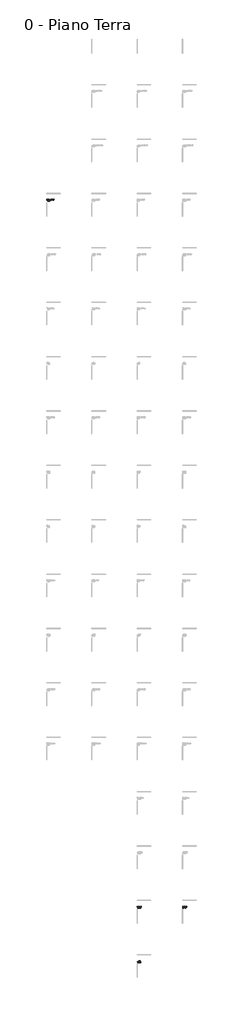
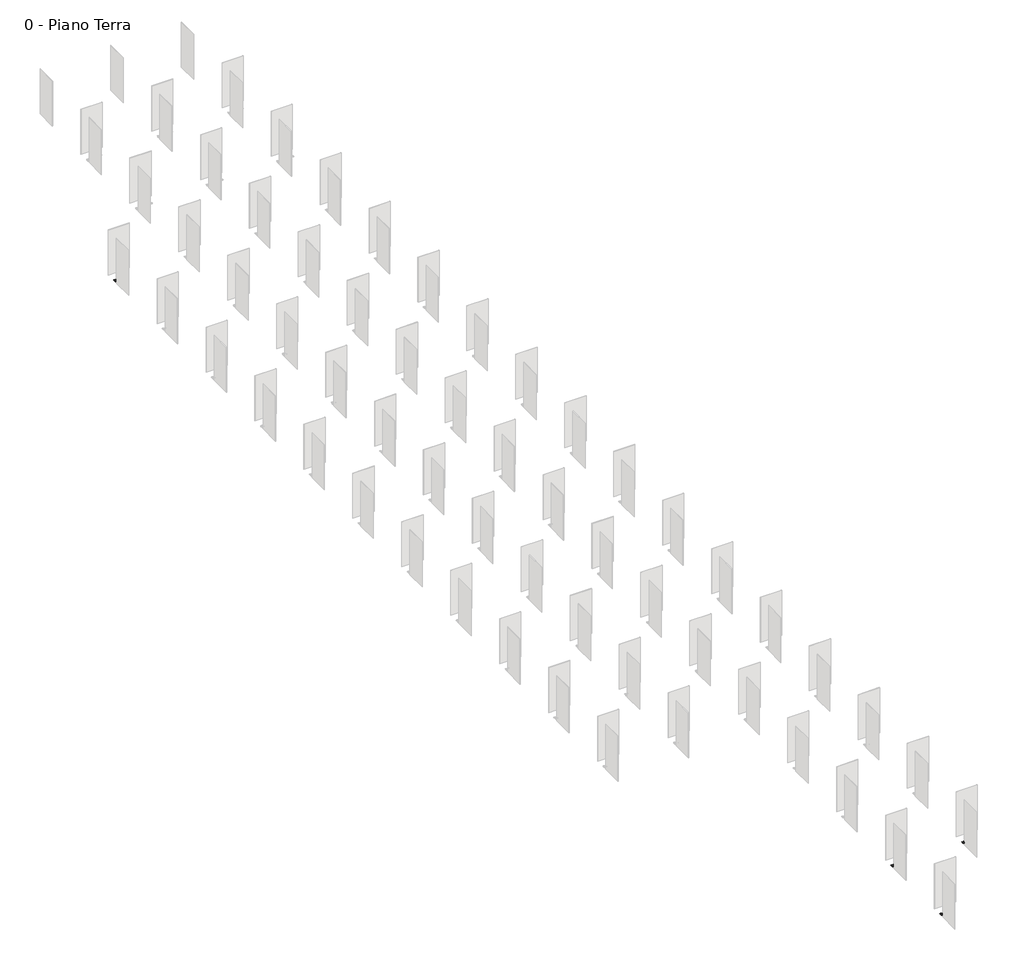
# One storey, part 18 of 35: 4 proxies.
"""IFC4 building model written with IfcOpenShell, lengths in millimetres."""

from ifc_helpers import new_model, si_unit, origin, origin_with_axes, place, context, project, spatial, polyline, outline, extrude, element, save

model = new_model("IFC4")

# Units and contexts
model_context = context("Model", 3, world=origin())
ifc_project = project(units=[si_unit("LENGTHUNIT", "METRE", prefix="MILLI")], contexts=[model_context])

# Site, building, storey
site = spatial("IfcSite", under=ifc_project)
building = spatial("IfcBuilding", under=site)
storey = spatial("IfcBuildingStorey", under=building, Name="0 - Piano Terra", Elevation=0.0)

# Proxies
placement = place(None, origin())
element("IfcBuildingElementProxy", 1, Name="Testo modello 1", ObjectType="Testo modello 1", at=placement, inside=storey, context=model_context, shape_type="SweptSolid", body=[
    extrude(outline(polyline([(-2268.2707509, -273.7592352), (-2268.2707509, -173.302925), (-2254.8307954, -173.302925), (-2202.3462974, -252.8880633), (-2202.3462974, -173.302925), (-2189.7892586, -173.302925), (-2189.7892586, -273.7592352), (-2203.2292142, -273.7592352), (-2255.7137122, -194.1495714), (-2255.7137122, -273.7592352), (-2268.2707509, -273.7592352)])), origin_with_axes(), (0.0, 0.0, 1.0), 10.0),
    extrude(outline(polyline([(-2117.7334385, -251.7844173), (-2105.4216544, -253.3540472), (-2109.8576981, -262.6308048), (-2116.9363608, -269.5653804), (-2126.498227, -273.8879938), (-2138.3838812, -275.328865), (-2153.1175551, -272.8425958), (-2164.4544519, -265.3837884), (-2171.6833331, -253.4368206), (-2174.0929602, -237.4860704), (-2171.6588076, -220.9988257), (-2164.35635, -208.6686475), (-2153.1727374, -200.9799138), (-2139.0951197, -198.4170025), (-2125.4558947, -200.9737824), (-2114.5573906, -208.644122), (-2107.4112829, -220.9497747), (-2105.0292469, -237.412494), (-2105.1028233, -240.7970084), (-2161.5359214, -240.7970084), (-2159.3623519, -250.1963934), (-2154.3131716, -257.1064435), (-2147.0260424, -261.3554805), (-2138.1386265, -262.7718262), (-2125.8268424, -260.1476013), (-2117.7334385, -251.7844173)]), holes=[polyline([(-2161.5359214, -228.2399696), (-2117.5862857, -228.2399696), (-2122.6140063, -216.8601532), (-2129.934858, -212.4455693), (-2139.1441706, -210.9740413), (-2154.6074771, -215.6706681), (-2159.4727165, -221.1613069), (-2161.5359214, -228.2399696)])]), origin_with_axes(), (0.0, 0.0, 1.0), 10.0),
    extrude(outline(polyline([(-2092.4722082, -273.7592352), (-2092.4722082, -199.9866324), (-2081.4847992, -199.9866324), (-2081.4847992, -210.9004649), (-2073.6857009, -200.8450237), (-2065.8375517, -198.4170025), (-2053.231462, -202.2920262), (-2057.4253168, -213.5492153), (-2066.2544846, -210.9740413), (-2073.3546071, -213.4511134), (-2077.8795557, -220.318244), (-2079.9151694, -234.9844729), (-2079.9151694, -273.7592352), (-2092.4722082, -273.7592352)])), origin_with_axes(), (0.0, 0.0, 1.0), 10.0),
    extrude(outline(polyline([(-2048.5225725, -236.8729338), (-2045.8063771, -219.0858393), (-2037.6577909, -206.5839828), (-2027.5900869, -200.4587476), (-2015.5358202, -198.4170025), (-2002.344185, -200.9032717), (-1991.8074315, -208.3620791), (-1984.9004471, -220.2048137), (-1982.5981189, -235.8428642), (-1986.6693463, -258.185564), (-1998.5274093, -270.8284419), (-2015.5358202, -275.328865), (-2028.886871, -272.8517929), (-2039.4113617, -265.4205766), (-2046.2447698, -253.3295217), (-2048.5225725, -236.8729338)]), holes=[polyline([(-2035.9655337, -236.8484083), (-2034.5123998, -248.2128963), (-2030.1529982, -256.3093658), (-2023.5924359, -261.1562111), (-2015.5358202, -262.7718262), (-2007.5159927, -261.1470141), (-2000.9676932, -256.2725776), (-1996.6082916, -248.0688092), (-1995.1551577, -236.4560008), (-1996.6174886, -225.4226067), (-2001.0044814, -217.4365017), (-2007.561978, -212.5896564), (-2015.5358202, -210.9740413), (-2023.5924359, -212.583525), (-2030.1529982, -217.4119762), (-2034.5123998, -225.4900517), (-2035.9655337, -236.8484083)])]), origin_with_axes(), (0.0, 0.0, 1.0), 10.0),
    extrude(outline(polyline([(-1939.3597218, -273.7592352), (-1899.2605843, -173.302925), (-1888.567481, -173.302925), (-1848.4683435, -273.7592352), (-1861.7366208, -273.7592352), (-1873.2390645, -242.3666382), (-1914.6135262, -242.3666382), (-1926.0914445, -273.7592352), (-1939.3597218, -273.7592352)]), holes=[polyline([(-1910.0027386, -229.8095995), (-1877.8253267, -229.8095995), (-1886.8752238, -205.1124549), (-1893.9140326, -185.8599638), (-1900.1680266, -202.9542138), (-1910.0027386, -229.8095995)])]), origin_with_axes(), (0.0, 0.0, 1.0), 10.0),
    extrude(outline(polyline([(-1841.3314328, -251.7844173), (-1828.774394, -250.2147875), (-1822.9618585, -259.5344647), (-1809.6445303, -262.7718262), (-1796.8422368, -259.8042448), (-1792.6729076, -252.8390124), (-1796.8667623, -247.1981551), (-1809.7916831, -243.617437), (-1828.7008176, -237.4738077), (-1836.953637, -230.3001088), (-1839.7618029, -220.1710912), (-1837.50546, -210.8146258), (-1831.349568, -203.6654523), (-1823.3665287, -199.9498442), (-1812.5630608, -198.4170025), (-1797.2836952, -200.8818119), (-1787.5716106, -207.5527388), (-1783.2551285, -218.8221905), (-1795.8121673, -220.3918204), (-1800.5333195, -213.4633761), (-1811.5820421, -210.9740413), (-1823.5995206, -213.3530115), (-1827.2047642, -218.8957669), (-1825.7087107, -222.5500614), (-1821.0243467, -225.3214391), (-1810.208616, -227.994715), (-1791.777728, -233.9053523), (-1783.2183403, -240.6008047), (-1780.1158688, -251.5146372), (-1783.7579005, -263.5321157), (-1794.2670629, -272.250919), (-1809.8162085, -275.328865), (-1822.4774805, -273.8450743), (-1831.71745, -269.3937021), (-1837.8856048, -262.0237995), (-1841.3314328, -251.7844173)])), origin_with_axes(), (0.0, 0.0, 1.0), 10.0),
    extrude(outline(polyline([(-1770.6980897, -251.7844173), (-1758.1410509, -250.2147875), (-1752.3285154, -259.5344647), (-1739.0111872, -262.7718262), (-1726.2088938, -259.8042448), (-1722.0395645, -252.8390124), (-1726.2334192, -247.1981551), (-1739.15834, -243.617437), (-1758.0674745, -237.4738077), (-1766.320294, -230.3001088), (-1769.1284599, -220.1710912), (-1766.872117, -210.8146258), (-1760.7162249, -203.6654523), (-1752.7331856, -199.9498442), (-1741.9297177, -198.4170025), (-1726.6503522, -200.8818119), (-1716.9382675, -207.5527388), (-1712.6217854, -218.8221905), (-1725.1788242, -220.3918204), (-1729.8999764, -213.4633761), (-1740.948699, -210.9740413), (-1752.9661775, -213.3530115), (-1756.5714211, -218.8957669), (-1755.0753677, -222.5500614), (-1750.3910036, -225.3214391), (-1739.5752729, -227.994715), (-1721.144385, -233.9053523), (-1712.5849972, -240.6008047), (-1709.4825257, -251.5146372), (-1713.1245575, -263.5321157), (-1723.6337198, -272.250919), (-1739.1828655, -275.328865), (-1751.8441375, -273.8450743), (-1761.0841069, -269.3937021), (-1767.2522617, -262.0237995), (-1770.6980897, -251.7844173)])), origin_with_axes(), (0.0, 0.0, 1.0), 10.0),
    extrude(outline(polyline([(-1698.4951168, -236.8729338), (-1695.7789214, -219.0858393), (-1687.6303352, -206.5839828), (-1677.5626313, -200.4587476), (-1665.5083646, -198.4170025), (-1652.3167293, -200.9032717), (-1641.7799759, -208.3620791), (-1634.8729914, -220.2048137), (-1632.5706633, -235.8428642), (-1636.6418907, -258.185564), (-1648.4999537, -270.8284419), (-1665.5083646, -275.328865), (-1678.8594153, -272.8517929), (-1689.383906, -265.4205766), (-1696.2173141, -253.3295217), (-1698.4951168, -236.8729338)]), holes=[polyline([(-1685.938078, -236.8484083), (-1684.4849441, -248.2128963), (-1680.1255425, -256.3093658), (-1673.5649803, -261.1562111), (-1665.5083646, -262.7718262), (-1657.4885371, -261.1470141), (-1650.9402376, -256.2725776), (-1646.5808359, -248.0688092), (-1645.127702, -236.4560008), (-1646.590033, -225.4226067), (-1650.9770258, -217.4365017), (-1657.5345223, -212.5896564), (-1665.5083646, -210.9740413), (-1673.5649803, -212.583525), (-1680.1255425, -217.4119762), (-1684.4849441, -225.4900517), (-1685.938078, -236.8484083)])]), origin_with_axes(), (0.0, 0.0, 1.0), 10.0),
    extrude(outline(polyline([(-1618.4439946, -273.7592352), (-1618.4439946, -173.302925), (-1605.8869559, -173.302925), (-1605.8869559, -273.7592352), (-1618.4439946, -273.7592352)])), origin_with_axes(), (0.0, 0.0, 1.0), 10.0),
    extrude(outline(polyline([(-1539.9625023, -273.7592352), (-1539.9625023, -261.0795691), (-1549.7972143, -271.766541), (-1562.6240332, -275.328865), (-1574.4330453, -272.8272674), (-1582.5755001, -266.548748), (-1586.3156337, -257.3026472), (-1587.0513977, -245.6285253), (-1587.0513977, -199.9866324), (-1574.494359, -199.9866324), (-1574.494359, -239.7178879), (-1573.7340695, -252.5201813), (-1568.7676626, -260.0372367), (-1559.4111972, -262.7718262), (-1548.9265603, -259.9759231), (-1541.998116, -252.3607658), (-1539.9625023, -238.3689872), (-1539.9625023, -199.9866324), (-1527.4054636, -199.9866324), (-1527.4054636, -273.7592352), (-1539.9625023, -273.7592352)])), origin_with_axes(), (0.0, 0.0, 1.0), 10.0),
    extrude(outline(polyline([(-1483.4558279, -263.286861), (-1481.886198, -274.1271171), (-1491.2794516, -275.328865), (-1501.8008767, -273.2442004), (-1507.0493265, -267.7750214), (-1508.5699054, -253.5257254), (-1508.5699054, -212.5436712), (-1517.9876845, -212.5436712), (-1517.9876845, -199.9866324), (-1508.5699054, -199.9866324), (-1508.5699054, -182.0585165), (-1496.0128666, -174.6763511), (-1496.0128666, -199.9866324), (-1483.4558279, -199.9866324), (-1483.4558279, -212.5436712), (-1496.0128666, -212.5436712), (-1496.0128666, -253.1578434), (-1495.3506791, -259.6325665), (-1493.2047008, -261.9256976), (-1488.9250069, -262.7718262), (-1483.4558279, -263.286861)])), origin_with_axes(), (0.0, 0.0, 1.0), 10.0),
    extrude(outline(polyline([(-1474.0380488, -236.8729338), (-1471.3218534, -219.0858393), (-1463.1732672, -206.5839828), (-1453.1055633, -200.4587476), (-1441.0512966, -198.4170025), (-1427.8596614, -200.9032717), (-1417.3229079, -208.3620791), (-1410.4159234, -220.2048137), (-1408.1135953, -235.8428642), (-1412.1848227, -258.185564), (-1424.0428857, -270.8284419), (-1441.0512966, -275.328865), (-1454.4023473, -272.8517929), (-1464.9268381, -265.4205766), (-1471.7602461, -253.3295217), (-1474.0380488, -236.8729338)]), holes=[polyline([(-1461.48101, -236.8484083), (-1460.0278762, -248.2128963), (-1455.6684745, -256.3093658), (-1449.1079123, -261.1562111), (-1441.0512966, -262.7718262), (-1433.0314691, -261.1470141), (-1426.4831696, -256.2725776), (-1422.1237679, -248.0688092), (-1420.670634, -236.4560008), (-1422.132965, -225.4226067), (-1426.5199578, -217.4365017), (-1433.0774543, -212.5896564), (-1441.0512966, -210.9740413), (-1449.1079123, -212.583525), (-1455.6684745, -217.4119762), (-1460.0278762, -225.4900517), (-1461.48101, -236.8484083)])]), origin_with_axes(), (0.0, 0.0, 1.0), 10.0),
    extrude(outline(polyline([(-2268.2707509, -395.734053), (-2268.2707509, -295.2777428), (-2233.616267, -295.2777428), (-2215.6881511, -296.7247454), (-2200.9238203, -303.910707), (-2189.0289692, -321.0785334), (-2185.0803691, -344.9663377), (-2187.7536449, -365.2366356), (-2194.6207755, -379.8660763), (-2203.7932999, -388.977287), (-2215.7985157, -394.0172704), (-2231.9485353, -395.734053), (-2268.2707509, -395.734053)]), holes=[polyline([(-2255.7137122, -383.1770142), (-2233.4936396, -383.1770142), (-2217.3313573, -381.3621297), (-2208.0116801, -376.2363073), (-2200.3719973, -363.7651076), (-2197.6374079, -344.7701339), (-2198.9771114, -331.0849237), (-2202.9962222, -320.9804316), (-2216.0315076, -309.8458699), (-2233.8369962, -307.8347816), (-2255.7137122, -307.8347816), (-2255.7137122, -383.1770142)])]), origin_with_axes(), (0.0, 0.0, 1.0), 10.0),
    extrude(outline(polyline([(-2122.2951752, -395.734053), (-2122.2951752, -383.0543869), (-2132.1298872, -393.7413589), (-2144.9567061, -397.3036828), (-2156.7657182, -394.8020853), (-2164.908173, -388.5235659), (-2168.6483066, -379.2774651), (-2169.3840706, -367.6033431), (-2169.3840706, -321.9614502), (-2156.8270319, -321.9614502), (-2156.8270319, -361.6927057), (-2156.0667424, -374.4949991), (-2151.1003355, -382.0120546), (-2141.74387, -384.7466441), (-2131.2592332, -381.9507409), (-2124.3307889, -374.3355836), (-2122.2951752, -360.3438051), (-2122.2951752, -321.9614502), (-2109.7381365, -321.9614502), (-2109.7381365, -395.734053), (-2122.2951752, -395.734053)])), origin_with_axes(), (0.0, 0.0, 1.0), 10.0),
    extrude(outline(polyline([(-2092.4722082, -395.734053), (-2092.4722082, -321.9614502), (-2079.9151694, -321.9614502), (-2079.9151694, -332.2621461), (-2070.3134493, -323.3594018), (-2057.2045876, -320.3918204), (-2045.3465246, -322.7830534), (-2037.2531207, -329.0615727), (-2033.4884616, -338.2954108), (-2032.826274, -350.4355167), (-2032.826274, -395.734053), (-2045.3833128, -395.734053), (-2045.3833128, -352.1277738), (-2046.8303153, -341.0177376), (-2051.943875, -335.1438884), (-2060.5645764, -332.9488592), (-2074.188473, -337.8784779), (-2078.4834953, -345.02152), (-2079.9151694, -356.5914087), (-2079.9151694, -395.734053), (-2092.4722082, -395.734053)])), origin_with_axes(), (0.0, 0.0, 1.0), 10.0),
    extrude(outline(polyline([(-1963.9097136, -373.7592352), (-1951.5979295, -375.328865), (-1956.0339732, -384.6056226), (-1963.1126359, -391.5401983), (-1972.6745021, -395.8628117), (-1984.5601562, -397.3036828), (-1999.2938302, -394.8174137), (-2010.630727, -387.3586062), (-2017.8596082, -375.4116384), (-2020.2692352, -359.4608883), (-2017.8350827, -342.9736435), (-2010.5326251, -330.6434653), (-1999.3490125, -322.9547316), (-1985.2713948, -320.3918204), (-1971.6321698, -322.9486003), (-1960.7336657, -330.6189399), (-1953.5875579, -342.9245926), (-1951.205522, -359.3873119), (-1951.2790984, -362.7718262), (-2007.7121965, -362.7718262), (-2005.538627, -372.1712112), (-2000.4894466, -379.0812613), (-1993.2023174, -383.3302984), (-1984.3149016, -384.7466441), (-1972.0031175, -382.1224192), (-1963.9097136, -373.7592352)]), holes=[polyline([(-2007.7121965, -350.2147875), (-1963.7625608, -350.2147875), (-1968.7902814, -338.8349711), (-1976.1111331, -334.4203871), (-1985.3204457, -332.9488592), (-2000.7837522, -337.645486), (-2005.6489916, -343.1361247), (-2007.7121965, -350.2147875)])]), origin_with_axes(), (0.0, 0.0, 1.0), 10.0),
])
element("IfcBuildingElementProxy", 2, Name="Testo modello 1", ObjectType="Testo modello 1", at=placement, inside=storey, context=model_context, shape_type="SweptSolid", body=[
    extrude(outline(polyline([(7731.7292491, -78273.7592352), (7731.7292491, -78173.302925), (7744.2862878, -78173.302925), (7744.2862878, -78261.2021964), (7794.5144429, -78261.2021964), (7794.5144429, -78273.7592352), (7731.7292491, -78273.7592352)])), origin_with_axes(), (0.0, 0.0, 1.0), 10.0),
    extrude(outline(polyline([(7803.932222, -78236.8729338), (7806.6484174, -78219.0858393), (7814.7970036, -78206.5839828), (7824.8647075, -78200.4587476), (7836.9189742, -78198.4170025), (7850.1106094, -78200.9032717), (7860.6473629, -78208.3620791), (7867.5543474, -78220.2048137), (7869.8566755, -78235.8428642), (7865.7854481, -78258.185564), (7853.9273851, -78270.8284419), (7836.9189742, -78275.328865), (7823.5679235, -78272.8517929), (7813.0434327, -78265.4205766), (7806.2100247, -78253.3295217), (7803.932222, -78236.8729338)]), holes=[polyline([(7816.4892608, -78236.8484083), (7817.9423946, -78248.2128963), (7822.3017963, -78256.3093658), (7828.8623585, -78261.1562111), (7836.9189742, -78262.7718262), (7844.9388017, -78261.1470141), (7851.4871012, -78256.2725776), (7855.8465029, -78248.0688092), (7857.2996368, -78236.4560008), (7855.8373058, -78225.4226067), (7851.450313, -78217.4365017), (7844.8928165, -78212.5896564), (7836.9189742, -78210.9740413), (7828.8623585, -78212.583525), (7822.3017963, -78217.4119762), (7817.9423946, -78225.4900517), (7816.4892608, -78236.8484083)])]), origin_with_axes(), (0.0, 0.0, 1.0), 10.0),
    extrude(outline(polyline([(7883.9833441, -78273.7592352), (7883.9833441, -78199.9866324), (7896.5403829, -78199.9866324), (7896.5403829, -78210.2873283), (7906.142103, -78201.384584), (7919.2509648, -78198.4170025), (7931.1090277, -78200.8082355), (7939.2024316, -78207.0867549), (7942.9670907, -78216.320593), (7943.6292783, -78228.4606988), (7943.6292783, -78273.7592352), (7931.0722395, -78273.7592352), (7931.0722395, -78230.152956), (7929.625237, -78219.0429197), (7924.5116773, -78213.1690705), (7915.8909759, -78210.9740413), (7902.2670793, -78215.90366), (7897.972057, -78223.0467021), (7896.5403829, -78234.6165909), (7896.5403829, -78273.7592352), (7883.9833441, -78273.7592352)])), origin_with_axes(), (0.0, 0.0, 1.0), 10.0),
    extrude(outline(polyline([(8006.4144721, -78273.7592352), (8006.4144721, -78261.9134349), (7998.1064704, -78271.9750075), (7986.6224208, -78275.328865), (7971.0732751, -78270.4728227), (7960.0858662, -78256.9225025), (7956.1863171, -78236.9465102), (7959.7792979, -78216.9582551), (7970.5459776, -78203.1994685), (7986.5733699, -78198.4170025), (7998.14939, -78201.8383051), (8006.4144721, -78210.7287866), (8006.4144721, -78173.302925), (8018.9715109, -78173.302925), (8018.9715109, -78273.7592352), (8006.4144721, -78273.7592352)]), holes=[polyline([(7968.7433558, -78236.8974592), (7970.1597015, -78248.2558158), (7974.4087386, -78256.3338913), (7980.5830247, -78261.1623425), (7987.7751177, -78262.7718262), (7994.964145, -78261.2359189), (8000.9820813, -78256.6281969), (8005.0563744, -78248.8628211), (8006.4144721, -78237.8539524), (8005.031849, -78225.8180798), (8000.8839795, -78217.4732899), (7994.712759, -78212.5988535), (7987.2600829, -78210.9740413), (7979.9944135, -78212.5344741), (7974.0408566, -78217.2157725), (7970.067731, -78225.2570598), (7968.7433558, -78236.8974592)])]), origin_with_axes(), (0.0, 0.0, 1.0), 10.0),
    extrude(outline(polyline([(8034.6678094, -78236.8729338), (8037.3840048, -78219.0858393), (8045.532591, -78206.5839828), (8055.6002949, -78200.4587476), (8067.6545616, -78198.4170025), (8080.8461968, -78200.9032717), (8091.3829503, -78208.3620791), (8098.2899348, -78220.2048137), (8100.5922629, -78235.8428642), (8096.5210355, -78258.185564), (8084.6629725, -78270.8284419), (8067.6545616, -78275.328865), (8054.3035109, -78272.8517929), (8043.7790201, -78265.4205766), (8036.9456121, -78253.3295217), (8034.6678094, -78236.8729338)]), holes=[polyline([(8047.2248481, -78236.8484083), (8048.677982, -78248.2128963), (8053.0373837, -78256.3093658), (8059.5979459, -78261.1562111), (8067.6545616, -78262.7718262), (8075.6743891, -78261.1470141), (8082.2226886, -78256.2725776), (8086.5820903, -78248.0688092), (8088.0352241, -78236.4560008), (8086.5728932, -78225.4226067), (8082.1859004, -78217.4365017), (8075.6284039, -78212.5896564), (8067.6545616, -78210.9740413), (8059.5979459, -78212.583525), (8053.0373837, -78217.4119762), (8048.677982, -78225.4900517), (8047.2248481, -78236.8484083)])]), origin_with_axes(), (0.0, 0.0, 1.0), 10.0),
    extrude(outline(polyline([(8114.7189315, -78273.7592352), (8114.7189315, -78199.9866324), (8127.2759703, -78199.9866324), (8127.2759703, -78210.2873283), (8136.8776904, -78201.384584), (8149.9865521, -78198.4170025), (8161.8446151, -78200.8082355), (8169.938019, -78207.0867549), (8173.7026781, -78216.320593), (8174.3648657, -78228.4606988), (8174.3648657, -78273.7592352), (8161.8078269, -78273.7592352), (8161.8078269, -78230.152956), (8160.3608244, -78219.0429197), (8155.2472647, -78213.1690705), (8146.6265632, -78210.9740413), (8133.0026667, -78215.90366), (8128.7076444, -78223.0467021), (8127.2759703, -78234.6165909), (8127.2759703, -78273.7592352), (8114.7189315, -78273.7592352)])), origin_with_axes(), (0.0, 0.0, 1.0), 10.0),
    extrude(outline(polyline([(7761.4050634, -78395.734053), (7721.4285532, -78295.2777428), (7734.8685088, -78295.2777428), (7761.6257926, -78367.652394), (7767.0459206, -78383.9618292), (7772.3924723, -78367.652394), (7799.2233325, -78295.2777428), (7812.663288, -78295.2777428), (7774.379035, -78395.734053), (7761.4050634, -78395.734053)])), origin_with_axes(), (0.0, 0.0, 1.0), 10.0),
    extrude(outline(polyline([(7874.4184123, -78373.7592352), (7886.7301964, -78375.328865), (7882.2941527, -78384.6056226), (7875.2154899, -78391.5401983), (7865.6536237, -78395.8628117), (7853.7679696, -78397.3036828), (7839.0342957, -78394.8174137), (7827.6973989, -78387.3586062), (7820.4685177, -78375.4116384), (7818.0588906, -78359.4608883), (7820.4930431, -78342.9736435), (7827.7955007, -78330.6434653), (7838.9791134, -78322.9547316), (7853.0567311, -78320.3918204), (7866.6959561, -78322.9486003), (7877.5944602, -78330.6189399), (7884.7405679, -78342.9245926), (7887.1226038, -78359.3873119), (7887.0490274, -78362.7718262), (7830.6159294, -78362.7718262), (7832.7894988, -78372.1712112), (7837.8386792, -78379.0812613), (7845.1258084, -78383.3302984), (7854.0132243, -78384.7466441), (7866.3250084, -78382.1224192), (7874.4184123, -78373.7592352)]), holes=[polyline([(7830.6159294, -78350.2147875), (7874.5655651, -78350.2147875), (7869.5378445, -78338.8349711), (7862.2169928, -78334.4203871), (7853.0076802, -78332.9488592), (7837.5443736, -78337.645486), (7832.6791342, -78343.1361247), (7830.6159294, -78350.2147875)])]), origin_with_axes(), (0.0, 0.0, 1.0), 10.0),
    extrude(outline(polyline([(7899.6796426, -78395.734053), (7899.6796426, -78295.2777428), (7912.2366814, -78295.2777428), (7912.2366814, -78395.734053), (7899.6796426, -78395.734053)])), origin_with_axes(), (0.0, 0.0, 1.0), 10.0),
    extrude(outline(polyline([(7949.1720337, -78395.734053), (7923.2240903, -78321.9614502), (7936.5168931, -78321.9614502), (7952.237717, -78366.1563406), (7956.971132, -78381.0187732), (7961.6064451, -78366.9902064), (7977.4253709, -78321.9614502), (7990.7181737, -78321.9614502), (7965.0890613, -78395.734053), (7949.1720337, -78395.734053)])), origin_with_axes(), (0.0, 0.0, 1.0), 10.0),
    extrude(outline(polyline([(8053.3562147, -78373.7592352), (8065.6679988, -78375.328865), (8061.2319551, -78384.6056226), (8054.1532924, -78391.5401983), (8044.5914262, -78395.8628117), (8032.7057721, -78397.3036828), (8017.9720982, -78394.8174137), (8006.6352013, -78387.3586062), (7999.4063201, -78375.4116384), (7996.9966931, -78359.4608883), (7999.4308456, -78342.9736435), (8006.7333032, -78330.6434653), (8017.9169159, -78322.9547316), (8031.9945335, -78320.3918204), (8045.6337585, -78322.9486003), (8056.5322626, -78330.6189399), (8063.6783704, -78342.9245926), (8066.0604063, -78359.3873119), (8065.9868299, -78362.7718262), (8009.5537318, -78362.7718262), (8011.7273013, -78372.1712112), (8016.7764817, -78379.0812613), (8024.0636109, -78383.3302984), (8032.9510267, -78384.7466441), (8045.2628108, -78382.1224192), (8053.3562147, -78373.7592352)]), holes=[polyline([(8009.5537318, -78350.2147875), (8053.5033675, -78350.2147875), (8048.4756469, -78338.8349711), (8041.1547952, -78334.4203871), (8031.9454826, -78332.9488592), (8016.4821761, -78337.645486), (8011.6169367, -78343.1361247), (8009.5537318, -78350.2147875)])]), origin_with_axes(), (0.0, 0.0, 1.0), 10.0),
    extrude(outline(polyline([(8105.3011524, -78385.2616789), (8106.8707823, -78396.101935), (8097.4775287, -78397.3036828), (8086.9561036, -78395.2190182), (8081.7076538, -78389.7498392), (8080.1870749, -78375.5005433), (8080.1870749, -78334.518489), (8070.7692958, -78334.518489), (8070.7692958, -78321.9614502), (8080.1870749, -78321.9614502), (8080.1870749, -78304.0333343), (8092.7441137, -78296.651169), (8092.7441137, -78321.9614502), (8105.3011524, -78321.9614502), (8105.3011524, -78334.518489), (8092.7441137, -78334.518489), (8092.7441137, -78375.1326613), (8093.4063013, -78381.6073844), (8095.5522796, -78383.9005155), (8099.8319734, -78384.7466441), (8105.3011524, -78385.2616789)])), origin_with_axes(), (0.0, 0.0, 1.0), 10.0),
])
element("IfcBuildingElementProxy", 3, Name="Testo modello 1", ObjectType="Testo modello 1", at=placement, inside=storey, context=model_context, shape_type="SweptSolid", body=[
    extrude(outline(polyline([(12731.7292491, -78273.7592352), (12731.7292491, -78173.302925), (12744.2862878, -78173.302925), (12744.2862878, -78261.2021964), (12794.5144429, -78261.2021964), (12794.5144429, -78273.7592352), (12731.7292491, -78273.7592352)])), origin_with_axes(), (0.0, 0.0, 1.0), 10.0),
    extrude(outline(polyline([(12803.932222, -78236.8729338), (12806.6484174, -78219.0858393), (12814.7970036, -78206.5839828), (12824.8647075, -78200.4587476), (12836.9189742, -78198.4170025), (12850.1106094, -78200.9032717), (12860.6473629, -78208.3620791), (12867.5543474, -78220.2048137), (12869.8566755, -78235.8428642), (12865.7854481, -78258.185564), (12853.9273851, -78270.8284419), (12836.9189742, -78275.328865), (12823.5679235, -78272.8517929), (12813.0434327, -78265.4205766), (12806.2100247, -78253.3295217), (12803.932222, -78236.8729338)]), holes=[polyline([(12816.4892608, -78236.8484083), (12817.9423946, -78248.2128963), (12822.3017963, -78256.3093658), (12828.8623585, -78261.1562111), (12836.9189742, -78262.7718262), (12844.9388017, -78261.1470141), (12851.4871012, -78256.2725776), (12855.8465029, -78248.0688092), (12857.2996368, -78236.4560008), (12855.8373058, -78225.4226067), (12851.450313, -78217.4365017), (12844.8928165, -78212.5896564), (12836.9189742, -78210.9740413), (12828.8623585, -78212.583525), (12822.3017963, -78217.4119762), (12817.9423946, -78225.4900517), (12816.4892608, -78236.8484083)])]), origin_with_axes(), (0.0, 0.0, 1.0), 10.0),
    extrude(outline(polyline([(12883.9833441, -78273.7592352), (12883.9833441, -78199.9866324), (12896.5403829, -78199.9866324), (12896.5403829, -78210.2873283), (12906.142103, -78201.384584), (12919.2509648, -78198.4170025), (12931.1090277, -78200.8082355), (12939.2024316, -78207.0867549), (12942.9670907, -78216.320593), (12943.6292783, -78228.4606988), (12943.6292783, -78273.7592352), (12931.0722395, -78273.7592352), (12931.0722395, -78230.152956), (12929.625237, -78219.0429197), (12924.5116773, -78213.1690705), (12915.8909759, -78210.9740413), (12902.2670793, -78215.90366), (12897.972057, -78223.0467021), (12896.5403829, -78234.6165909), (12896.5403829, -78273.7592352), (12883.9833441, -78273.7592352)])), origin_with_axes(), (0.0, 0.0, 1.0), 10.0),
    extrude(outline(polyline([(13006.4144721, -78273.7592352), (13006.4144721, -78261.9134349), (12998.1064704, -78271.9750075), (12986.6224208, -78275.328865), (12971.0732751, -78270.4728227), (12960.0858662, -78256.9225025), (12956.1863171, -78236.9465102), (12959.7792979, -78216.9582551), (12970.5459776, -78203.1994685), (12986.5733699, -78198.4170025), (12998.14939, -78201.8383051), (13006.4144721, -78210.7287866), (13006.4144721, -78173.302925), (13018.9715109, -78173.302925), (13018.9715109, -78273.7592352), (13006.4144721, -78273.7592352)]), holes=[polyline([(12968.7433558, -78236.8974592), (12970.1597015, -78248.2558158), (12974.4087386, -78256.3338913), (12980.5830247, -78261.1623425), (12987.7751177, -78262.7718262), (12994.964145, -78261.2359189), (13000.9820813, -78256.6281969), (13005.0563744, -78248.8628211), (13006.4144721, -78237.8539524), (13005.031849, -78225.8180798), (13000.8839795, -78217.4732899), (12994.712759, -78212.5988535), (12987.2600829, -78210.9740413), (12979.9944135, -78212.5344741), (12974.0408566, -78217.2157725), (12970.067731, -78225.2570598), (12968.7433558, -78236.8974592)])]), origin_with_axes(), (0.0, 0.0, 1.0), 10.0),
    extrude(outline(polyline([(13034.6678094, -78236.8729338), (13037.3840048, -78219.0858393), (13045.532591, -78206.5839828), (13055.6002949, -78200.4587476), (13067.6545616, -78198.4170025), (13080.8461968, -78200.9032717), (13091.3829503, -78208.3620791), (13098.2899348, -78220.2048137), (13100.5922629, -78235.8428642), (13096.5210355, -78258.185564), (13084.6629725, -78270.8284419), (13067.6545616, -78275.328865), (13054.3035109, -78272.8517929), (13043.7790201, -78265.4205766), (13036.9456121, -78253.3295217), (13034.6678094, -78236.8729338)]), holes=[polyline([(13047.2248481, -78236.8484083), (13048.677982, -78248.2128963), (13053.0373837, -78256.3093658), (13059.5979459, -78261.1562111), (13067.6545616, -78262.7718262), (13075.6743891, -78261.1470141), (13082.2226886, -78256.2725776), (13086.5820903, -78248.0688092), (13088.0352241, -78236.4560008), (13086.5728932, -78225.4226067), (13082.1859004, -78217.4365017), (13075.6284039, -78212.5896564), (13067.6545616, -78210.9740413), (13059.5979459, -78212.583525), (13053.0373837, -78217.4119762), (13048.677982, -78225.4900517), (13047.2248481, -78236.8484083)])]), origin_with_axes(), (0.0, 0.0, 1.0), 10.0),
    extrude(outline(polyline([(13114.7189315, -78273.7592352), (13114.7189315, -78199.9866324), (13127.2759703, -78199.9866324), (13127.2759703, -78210.2873283), (13136.8776904, -78201.384584), (13149.9865521, -78198.4170025), (13161.8446151, -78200.8082355), (13169.938019, -78207.0867549), (13173.7026781, -78216.320593), (13174.3648657, -78228.4606988), (13174.3648657, -78273.7592352), (13161.8078269, -78273.7592352), (13161.8078269, -78230.152956), (13160.3608244, -78219.0429197), (13155.2472647, -78213.1690705), (13146.6265632, -78210.9740413), (13133.0026667, -78215.90366), (13128.7076444, -78223.0467021), (13127.2759703, -78234.6165909), (13127.2759703, -78273.7592352), (13114.7189315, -78273.7592352)])), origin_with_axes(), (0.0, 0.0, 1.0), 10.0),
    extrude(outline(polyline([(12797.6537026, -78295.2777428), (12810.2107414, -78295.2777428), (12810.2107414, -78353.2314198), (12806.8017016, -78377.2541141), (12794.5144429, -78391.7241392), (12784.2505353, -78395.9087969), (12771.2152499, -78397.3036828), (12748.2716761, -78392.4476405), (12740.6319934, -78386.5032806), (12735.5429591, -78378.3822856), (12731.7292491, -78353.2314198), (12731.7292491, -78295.2777428), (12744.2862878, -78295.2777428), (12744.2862878, -78352.7899614), (12746.7633599, -78371.9320879), (12755.2736968, -78381.4111807), (12770.0380275, -78384.7466441), (12782.8096641, -78383.0973065), (12791.3016068, -78378.1492936), (12796.0656787, -78368.5107854), (12797.6537026, -78352.7899614), (12797.6537026, -78295.2777428)])), origin_with_axes(), (0.0, 0.0, 1.0), 10.0),
    extrude(outline(polyline([(12830.6159294, -78395.734053), (12830.6159294, -78321.9614502), (12841.6033383, -78321.9614502), (12841.6033383, -78332.8752828), (12849.4024366, -78322.8198416), (12857.2505858, -78320.3918204), (12869.8566755, -78324.2668441), (12865.6628208, -78335.5240331), (12856.8336529, -78332.9488592), (12849.7335304, -78335.4259313), (12845.2085819, -78342.2930618), (12843.1729681, -78356.9592907), (12843.1729681, -78395.734053), (12830.6159294, -78395.734053)])), origin_with_axes(), (0.0, 0.0, 1.0), 10.0),
    extrude(outline(polyline([(12890.2618635, -78395.734053), (12877.7048248, -78395.734053), (12877.7048248, -78295.2777428), (12890.2618635, -78295.2777428), (12890.2618635, -78332.5319262), (12899.0542432, -78323.4268468), (12909.9803385, -78320.3918204), (12922.5619027, -78323.1264099), (12932.3230383, -78330.8151436), (12938.3195148, -78342.7713084), (12940.4900186, -78357.7441056), (12938.2428728, -78374.5072619), (12931.5014352, -78386.9784615), (12921.6084752, -78394.7223775), (12909.9067621, -78397.3036828), (12898.7415435, -78393.9743508), (12890.2618635, -78383.9863546), (12890.2618635, -78395.734053)]), holes=[polyline([(12890.2618635, -78358.3327168), (12893.6954288, -78375.8929507), (12900.2743852, -78382.5332207), (12908.8276416, -78384.7466441), (12916.0749169, -78383.1157006), (12922.2675971, -78378.22287), (12926.5166342, -78370.0988093), (12927.9329798, -78358.7741752), (12926.5748821, -78347.2839942), (12922.500589, -78339.251904), (12916.5010468, -78334.5246204), (12909.3672018, -78332.9488592), (12902.1199265, -78334.5798027), (12895.9272463, -78339.4726332), (12891.6782092, -78347.4495411), (12890.2618635, -78358.3327168)])]), origin_with_axes(), (0.0, 0.0, 1.0), 10.0),
    extrude(outline(polyline([(13001.7055826, -78386.3162739), (12989.5286886, -78394.8266107), (12976.0764703, -78397.3036828), (12965.5826364, -78395.8137608), (12957.841786, -78391.3439945), (12953.0685172, -78384.5565717), (12951.4774275, -78376.1136799), (12953.8809232, -78366.1808661), (12960.1962308, -78358.9703789), (12968.9886105, -78354.8501006), (12979.8533921, -78352.9616397), (13001.6320062, -78348.6451576), (13001.7055826, -78345.8492545), (12998.2474918, -78336.5786282), (12984.3660779, -78332.9488592), (12971.6618863, -78335.3646176), (12965.6040961, -78343.9362681), (12953.0470574, -78342.3666382), (12958.4794482, -78330.1039051), (12969.4178062, -78322.9179434), (12985.9847587, -78320.3918204), (13001.2028105, -78322.6236378), (13009.7989865, -78328.2277069), (13013.6494847, -78336.7503064), (13014.2626214, -78347.7377154), (13014.2626214, -78363.3604374), (13014.9002835, -78385.1758397), (13017.4018811, -78395.734053), (13004.8448423, -78395.734053), (13001.7055826, -78386.3162739)]), holes=[polyline([(13001.7055826, -78361.2021964), (12981.4475474, -78365.0526946), (12970.6440795, -78367.0883083), (12965.7512489, -78370.3992463), (12964.0344663, -78375.2307631), (12967.7745999, -78382.0243173), (12978.7497461, -78384.7466441), (12991.4539377, -78381.7422744), (12999.6454434, -78374.4704737), (13001.6320062, -78364.758389), (13001.7055826, -78361.2021964)])]), origin_with_axes(), (0.0, 0.0, 1.0), 10.0),
    extrude(outline(polyline([(13031.5285497, -78395.734053), (13031.5285497, -78321.9614502), (13044.0855884, -78321.9614502), (13044.0855884, -78332.2621461), (13053.6873085, -78323.3594018), (13066.7961703, -78320.3918204), (13078.6542333, -78322.7830534), (13086.7476372, -78329.0615727), (13090.5122962, -78338.2954108), (13091.1744838, -78350.4355167), (13091.1744838, -78395.734053), (13078.6174451, -78395.734053), (13078.6174451, -78352.1277738), (13077.1704425, -78341.0177376), (13072.0568828, -78335.1438884), (13063.4361814, -78332.9488592), (13049.8122848, -78337.8784779), (13045.5172625, -78345.02152), (13044.0855884, -78356.5914087), (13044.0855884, -78395.734053), (13031.5285497, -78395.734053)])), origin_with_axes(), (0.0, 0.0, 1.0), 10.0),
])
element("IfcBuildingElementProxy", 4, Name="Testo modello 1", ObjectType="Testo modello 1", at=placement, inside=storey, context=model_context, shape_type="SweptSolid", body=[
    extrude(outline(polyline([(7731.7292491, -84273.7592352), (7731.7292491, -84173.302925), (7770.062553, -84173.302925), (7788.8367975, -84176.2582437), (7799.9223082, -84185.344929), (7803.932222, -84198.1962733), (7800.5599704, -84209.931709), (7790.3696391, -84218.8221905), (7802.7427369, -84228.1909187), (7807.0714817, -84243.8136407), (7804.116163, -84257.31491), (7796.7953113, -84266.9288928), (7785.869216, -84272.0301898), (7769.7682474, -84273.7592352), (7731.7292491, -84273.7592352)]), holes=[polyline([(7744.2862878, -84214.113301), (7767.2175989, -84214.113301), (7780.6085035, -84213.0341805), (7788.6651192, -84208.3866046), (7791.3751832, -84200.2073616), (7788.8490602, -84192.0158558), (7781.6140476, -84187.1720762), (7765.4762908, -84185.8599638), (7744.2862878, -84185.8599638), (7744.2862878, -84214.113301)]), polyline([(7744.2862878, -84261.2021964), (7770.0380275, -84261.2021964), (7779.3577047, -84260.7116871), (7787.2426421, -84257.9770976), (7792.4665665, -84252.397554), (7794.5144429, -84243.9362681), (7792.1109472, -84234.1751325), (7784.3241117, -84228.3503342), (7768.8117542, -84226.6703398), (7744.2862878, -84226.6703398), (7744.2862878, -84261.2021964)])]), origin_with_axes(), (0.0, 0.0, 1.0), 10.0),
    extrude(outline(polyline([(7874.4184123, -84251.7844173), (7886.7301964, -84253.3540472), (7882.2941527, -84262.6308048), (7875.2154899, -84269.5653804), (7865.6536237, -84273.8879938), (7853.7679696, -84275.328865), (7839.0342957, -84272.8425958), (7827.6973989, -84265.3837884), (7820.4685177, -84253.4368206), (7818.0588906, -84237.4860704), (7820.4930431, -84220.9988257), (7827.7955007, -84208.6686475), (7838.9791134, -84200.9799138), (7853.0567311, -84198.4170025), (7866.6959561, -84200.9737824), (7877.5944602, -84208.644122), (7884.7405679, -84220.9497747), (7887.1226038, -84237.412494), (7887.0490274, -84240.7970084), (7830.6159294, -84240.7970084), (7832.7894988, -84250.1963934), (7837.8386792, -84257.1064435), (7845.1258084, -84261.3554805), (7854.0132243, -84262.7718262), (7866.3250084, -84260.1476013), (7874.4184123, -84251.7844173)]), holes=[polyline([(7830.6159294, -84228.2399696), (7874.5655651, -84228.2399696), (7869.5378445, -84216.8601532), (7862.2169928, -84212.4455693), (7853.0076802, -84210.9740413), (7837.5443736, -84215.6706681), (7832.6791342, -84221.1613069), (7830.6159294, -84228.2399696)])]), origin_with_axes(), (0.0, 0.0, 1.0), 10.0),
    extrude(outline(polyline([(7899.6796426, -84273.7592352), (7899.6796426, -84199.9866324), (7910.6670515, -84199.9866324), (7910.6670515, -84210.9004649), (7918.4661498, -84200.8450237), (7926.3142991, -84198.4170025), (7938.9203888, -84202.2920262), (7934.726534, -84213.5492153), (7925.8973661, -84210.9740413), (7918.7972436, -84213.4511134), (7914.2722951, -84220.318244), (7912.2366814, -84234.9844729), (7912.2366814, -84273.7592352), (7899.6796426, -84273.7592352)])), origin_with_axes(), (0.0, 0.0, 1.0), 10.0),
    extrude(outline(polyline([(7946.768538, -84273.7592352), (7946.768538, -84173.302925), (7959.3255768, -84173.302925), (7959.3255768, -84273.7592352), (7946.768538, -84273.7592352)])), origin_with_axes(), (0.0, 0.0, 1.0), 10.0),
    extrude(outline(polyline([(7978.1611349, -84273.7592352), (7978.1611349, -84199.9866324), (7990.7181737, -84199.9866324), (7990.7181737, -84273.7592352), (7978.1611349, -84273.7592352)])), origin_with_axes(), (0.0, 0.0, 1.0), 10.0),
    extrude(outline(polyline([(7978.1611349, -84185.8599638), (7978.1611349, -84173.302925), (7990.7181737, -84173.302925), (7990.7181737, -84185.8599638), (7978.1611349, -84185.8599638)])), origin_with_axes(), (0.0, 0.0, 1.0), 10.0),
    extrude(outline(polyline([(8009.5537318, -84273.7592352), (8009.5537318, -84199.9866324), (8022.1107706, -84199.9866324), (8022.1107706, -84210.2873283), (8031.7124907, -84201.384584), (8044.8213524, -84198.4170025), (8056.6794154, -84200.8082355), (8064.7728193, -84207.0867549), (8068.5374784, -84216.320593), (8069.199666, -84228.4606988), (8069.199666, -84273.7592352), (8056.6426272, -84273.7592352), (8056.6426272, -84230.152956), (8055.1956247, -84219.0429197), (8050.082065, -84213.1690705), (8041.4613635, -84210.9740413), (8027.837467, -84215.90366), (8023.5424447, -84223.0467021), (8022.1107706, -84234.6165909), (8022.1107706, -84273.7592352), (8009.5537318, -84273.7592352)])), origin_with_axes(), (0.0, 0.0, 1.0), 10.0),
    extrude(outline(polyline([(7761.4050634, -84395.734053), (7721.4285532, -84295.2777428), (7734.8685088, -84295.2777428), (7761.6257926, -84367.652394), (7767.0459206, -84383.9618292), (7772.3924723, -84367.652394), (7799.2233325, -84295.2777428), (7812.663288, -84295.2777428), (7774.379035, -84395.734053), (7761.4050634, -84395.734053)])), origin_with_axes(), (0.0, 0.0, 1.0), 10.0),
    extrude(outline(polyline([(7874.4184123, -84373.7592352), (7886.7301964, -84375.328865), (7882.2941527, -84384.6056226), (7875.2154899, -84391.5401983), (7865.6536237, -84395.8628117), (7853.7679696, -84397.3036828), (7839.0342957, -84394.8174137), (7827.6973989, -84387.3586062), (7820.4685177, -84375.4116384), (7818.0588906, -84359.4608883), (7820.4930431, -84342.9736435), (7827.7955007, -84330.6434653), (7838.9791134, -84322.9547316), (7853.0567311, -84320.3918204), (7866.6959561, -84322.9486003), (7877.5944602, -84330.6189399), (7884.7405679, -84342.9245926), (7887.1226038, -84359.3873119), (7887.0490274, -84362.7718262), (7830.6159294, -84362.7718262), (7832.7894988, -84372.1712112), (7837.8386792, -84379.0812613), (7845.1258084, -84383.3302984), (7854.0132243, -84384.7466441), (7866.3250084, -84382.1224192), (7874.4184123, -84373.7592352)]), holes=[polyline([(7830.6159294, -84350.2147875), (7874.5655651, -84350.2147875), (7869.5378445, -84338.8349711), (7862.2169928, -84334.4203871), (7853.0076802, -84332.9488592), (7837.5443736, -84337.645486), (7832.6791342, -84343.1361247), (7830.6159294, -84350.2147875)])]), origin_with_axes(), (0.0, 0.0, 1.0), 10.0),
    extrude(outline(polyline([(7899.6796426, -84395.734053), (7899.6796426, -84295.2777428), (7912.2366814, -84295.2777428), (7912.2366814, -84395.734053), (7899.6796426, -84395.734053)])), origin_with_axes(), (0.0, 0.0, 1.0), 10.0),
    extrude(outline(polyline([(7949.1720337, -84395.734053), (7923.2240903, -84321.9614502), (7936.5168931, -84321.9614502), (7952.237717, -84366.1563406), (7956.971132, -84381.0187732), (7961.6064451, -84366.9902064), (7977.4253709, -84321.9614502), (7990.7181737, -84321.9614502), (7965.0890613, -84395.734053), (7949.1720337, -84395.734053)])), origin_with_axes(), (0.0, 0.0, 1.0), 10.0),
    extrude(outline(polyline([(8053.3562147, -84373.7592352), (8065.6679988, -84375.328865), (8061.2319551, -84384.6056226), (8054.1532924, -84391.5401983), (8044.5914262, -84395.8628117), (8032.7057721, -84397.3036828), (8017.9720982, -84394.8174137), (8006.6352013, -84387.3586062), (7999.4063201, -84375.4116384), (7996.9966931, -84359.4608883), (7999.4308456, -84342.9736435), (8006.7333032, -84330.6434653), (8017.9169159, -84322.9547316), (8031.9945335, -84320.3918204), (8045.6337585, -84322.9486003), (8056.5322626, -84330.6189399), (8063.6783704, -84342.9245926), (8066.0604063, -84359.3873119), (8065.9868299, -84362.7718262), (8009.5537318, -84362.7718262), (8011.7273013, -84372.1712112), (8016.7764817, -84379.0812613), (8024.0636109, -84383.3302984), (8032.9510267, -84384.7466441), (8045.2628108, -84382.1224192), (8053.3562147, -84373.7592352)]), holes=[polyline([(8009.5537318, -84350.2147875), (8053.5033675, -84350.2147875), (8048.4756469, -84338.8349711), (8041.1547952, -84334.4203871), (8031.9454826, -84332.9488592), (8016.4821761, -84337.645486), (8011.6169367, -84343.1361247), (8009.5537318, -84350.2147875)])]), origin_with_axes(), (0.0, 0.0, 1.0), 10.0),
    extrude(outline(polyline([(8105.3011524, -84385.2616789), (8106.8707823, -84396.101935), (8097.4775287, -84397.3036828), (8086.9561036, -84395.2190182), (8081.7076538, -84389.7498392), (8080.1870749, -84375.5005433), (8080.1870749, -84334.518489), (8070.7692958, -84334.518489), (8070.7692958, -84321.9614502), (8080.1870749, -84321.9614502), (8080.1870749, -84304.0333343), (8092.7441137, -84296.651169), (8092.7441137, -84321.9614502), (8105.3011524, -84321.9614502), (8105.3011524, -84334.518489), (8092.7441137, -84334.518489), (8092.7441137, -84375.1326613), (8093.4063013, -84381.6073844), (8095.5522796, -84383.9005155), (8099.8319734, -84384.7466441), (8105.3011524, -84385.2616789)])), origin_with_axes(), (0.0, 0.0, 1.0), 10.0),
])

save(model, "model.ifc")
